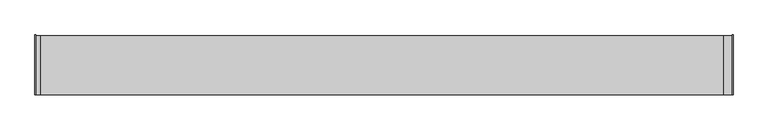
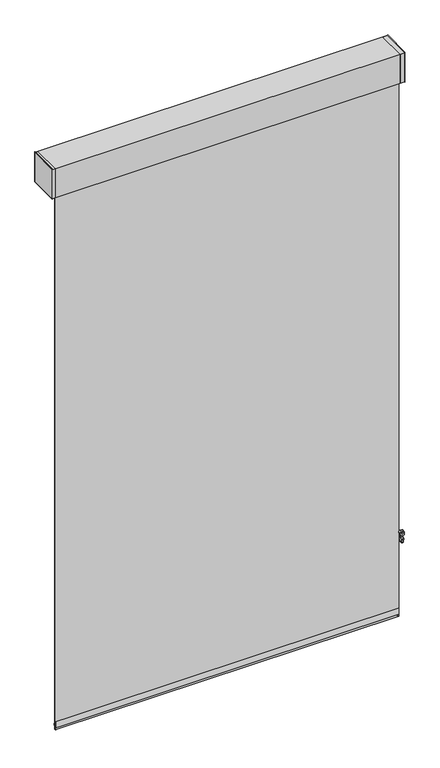
"""IFC4 building model written with IfcOpenShell, lengths in millimetres: proxy geometry."""

from ifc_helpers import new_model, si_unit, point, frame, frame_2d, origin, place, context, project, spatial, polyline, circle_curve, trimmed, segment, composite_curve, outline, extrude, source, transform, mapped, element, save
from ifc_brep_helpers import plane_surface, cylinder_surface, revolved_surface, advanced_brep


def specialty_equipment_0e8b1a03(model_context):
    return source(origin(), model_context, "Body", "SolidModel", [
        advanced_brep(
        [(754.7975373, 114.3, -748.5031492), (759.8345279, 114.3, -754.1318492), (755.147822, 114.3, -796.2412853), (752.1866072, 114.3, -798.8912064), (749.7153928, 114.3, -798.8912064), (746.754178, 114.3, -796.2412853), (742.0674721, 114.3, -754.1318492), (747.1044627, 114.3, -748.5031492), (747.776, 114.3, -755.1453529), (754.126, 114.3, -755.1453529), (747.776, 114.3, -790.8641029), (754.126, 114.3, -790.8641029), (754.7975373, 101.6, -748.5031492), (747.1044627, 101.6, -748.5031492), (742.0674721, 101.6, -754.1318492), (743.2919654, 101.6, -765.1337606), (758.6100346, 101.6, -765.1337606), (759.8345279, 101.6, -754.1318492), (747.776, 101.6, -755.1453529), (754.126, 101.6, -755.1453529), (746.754178, 101.6, -796.2412853), (749.7153928, 101.6, -798.8912064), (752.1866072, 101.6, -798.8912064), (755.147822, 101.6, -796.2412853), (756.9731218, 101.6, -779.8412064), (744.9288782, 101.6, -779.8412064), (747.776, 101.6, -790.8641029), (754.126, 101.6, -790.8641029), (758.6100346, 111.125, -765.1337606), (756.9731218, 111.125, -779.8412064), (744.9288782, 111.125, -779.8412064), (743.2919654, 111.125, -765.1337606)],
        [
            (0, 1, circle_curve(frame((754.7975373, 114.3, -753.5712411), z_axis=(0.0, 1.0, 0.0), x_axis=(-1.0, 0.0, 0.0)), 5.0680919)),
            (1, 2),
            (2, 3, circle_curve(frame((752.1866072, 114.3, -795.9117073), z_axis=(0.0, 1.0, 0.0), x_axis=(-1.0, 0.0, 0.0)), 2.9794991)),
            (3, 4),
            (4, 5, circle_curve(frame((749.7153928, 114.3, -795.9117073), z_axis=(0.0, 1.0, 0.0), x_axis=(1.0, 0.0, 0.0)), 2.9794991)),
            (5, 6),
            (6, 7, circle_curve(frame((747.1044627, 114.3, -753.5712411), z_axis=(0.0, 1.0, 0.0), x_axis=(1.0, 0.0, 0.0)), 5.0680919)),
            (7, 0),
            (8, 9, circle_curve(frame((750.951, 114.3, -755.1453529), z_axis=(0.0, -1.0, 0.0), x_axis=(1.0, 0.0, 0.0)), 3.175)),
            (9, 8, circle_curve(frame((750.951, 114.3, -755.1453529), z_axis=(0.0, -1.0, 0.0), x_axis=(1.0, 0.0, 0.0)), 3.175)),
            (10, 11, circle_curve(frame((750.951, 114.3, -790.8641029), z_axis=(0.0, -1.0, 0.0), x_axis=(1.0, 0.0, 0.0)), 3.175)),
            (11, 10, circle_curve(frame((750.951, 114.3, -790.8641029), z_axis=(0.0, -1.0, 0.0), x_axis=(1.0, 0.0, 0.0)), 3.175)),
            (12, 13),
            (13, 14, circle_curve(frame((747.1044627, 101.6, -753.5712411), z_axis=(0.0, -1.0, 0.0), x_axis=(1.0, 0.0, 0.0)), 5.0680919)),
            (14, 15),
            (15, 16),
            (16, 17),
            (17, 12, circle_curve(frame((754.7975373, 101.6, -753.5712411), z_axis=(0.0, -1.0, 0.0), x_axis=(-1.0, 0.0, 0.0)), 5.0680919)),
            (18, 19, circle_curve(frame((750.951, 101.6, -755.1453529), z_axis=(0.0, 1.0, 0.0), x_axis=(1.0, 0.0, 0.0)), 3.175)),
            (19, 18, circle_curve(frame((750.951, 101.6, -755.1453529), z_axis=(0.0, 1.0, 0.0), x_axis=(1.0, 0.0, 0.0)), 3.175)),
            (20, 21, circle_curve(frame((749.7153928, 101.6, -795.9117073), z_axis=(0.0, -1.0, 0.0), x_axis=(1.0, 0.0, 0.0)), 2.9794991)),
            (21, 22),
            (22, 23, circle_curve(frame((752.1866072, 101.6, -795.9117073), z_axis=(0.0, -1.0, 0.0), x_axis=(-1.0, 0.0, 0.0)), 2.9794991)),
            (23, 24),
            (24, 25),
            (25, 20),
            (26, 27, circle_curve(frame((750.951, 101.6, -790.8641029), z_axis=(0.0, 1.0, 0.0), x_axis=(1.0, 0.0, 0.0)), 3.175)),
            (27, 26, circle_curve(frame((750.951, 101.6, -790.8641029), z_axis=(0.0, 1.0, 0.0), x_axis=(1.0, 0.0, 0.0)), 3.175)),
            (0, 12),
            (17, 1),
            (16, 28),
            (28, 29),
            (29, 24),
            (23, 2),
            (22, 3),
            (21, 4),
            (20, 5),
            (25, 30),
            (30, 31),
            (31, 15),
            (14, 6),
            (13, 7),
            (8, 18),
            (19, 9),
            (10, 26),
            (27, 11),
            (28, 31),
            (30, 29),
        ],
        [
            plane_surface(frame((749.7294454, 114.3, -753.5712411), z_axis=(0.0, 1.0, 0.0), x_axis=(0.0, 0.0, 1.0))),
            plane_surface(frame((749.7294454, 101.6, -753.5712411), z_axis=(0.0, -1.0, 0.0), x_axis=(0.0, 0.0, -1.0))),
            cylinder_surface(frame((754.7975373, 101.6, -753.5712411), z_axis=(0.0, 1.0, 0.0), x_axis=(-1.0, 0.0, 0.0)), 5.0680919),
            plane_surface(frame((759.8345279, 114.3, -754.1318492), z_axis=(0.9938633059315283, 0.0, -0.11061523006735367), x_axis=(0.0, -1.0, 0.0))),
            cylinder_surface(frame((752.1866072, 101.6, -795.9117073), z_axis=(0.0, 1.0, 0.0), x_axis=(-1.0, 0.0, 0.0)), 2.9794991),
            plane_surface(frame((752.1866072, 114.3, -798.8912064), z_axis=(0.0, 0.0, -1.0), x_axis=(0.0, -1.0, 0.0))),
            cylinder_surface(frame((749.7153928, 101.6, -795.9117073), z_axis=(0.0, 1.0, 0.0), x_axis=(1.0, 0.0, 0.0)), 2.9794991),
            plane_surface(frame((746.754178, 114.3, -796.2412853), z_axis=(-0.9938633059315276, 0.0, -0.11061523006736003), x_axis=(0.0, -1.0, 0.0))),
            cylinder_surface(frame((747.1044627, 101.6, -753.5712411), z_axis=(0.0, 1.0, 0.0), x_axis=(1.0, 0.0, 0.0)), 5.0680919),
            plane_surface(frame((747.1044627, 114.3, -748.5031492), z_axis=(0.0, 0.0, 1.0), x_axis=(0.0, -1.0, 0.0))),
            revolved_surface(polyline([(754.126, 101.6, -755.1453529), (754.126, 114.3, -755.1453529)]), (750.951, 101.6, -755.1453529), (0.0, -1.0, 0.0)),
            revolved_surface(polyline([(754.126, 101.6, -790.8641029), (754.126, 114.3, -790.8641029)]), (750.951, 101.6, -790.8641029), (0.0, -1.0, 0.0)),
            plane_surface(frame((732.092928, 111.125, -779.8412064), z_axis=(0.0, -1.0, 0.0), x_axis=(-1.0, 0.0, 0.0))),
            plane_surface(frame((759.6783137, 111.125, -779.8412064), z_axis=(0.0, 0.0, 1.0), x_axis=(0.0, -1.0, 0.0))),
            plane_surface(frame((741.8653132, 111.125, -765.1337606), z_axis=(0.0, 0.0, -1.0), x_axis=(0.0, -1.0, 0.0))),
        ],
        [
            (0, [[1, 2, 3, 4, 5, 6, 7, 8], [9, 10], [11, 12]]),
            (1, [[13, 14, 15, 16, 17, 18], [19, 20]]),
            (1, [[21, 22, 23, 24, 25, 26], [27, 28]]),
            (2, [[-1, 29, -18, 30]]),
            (3, [[-2, -30, -17, 31, 32, 33, -24, 34]]),
            (4, [[-3, -34, -23, 35]]),
            (5, [[-4, -35, -22, 36]]),
            (6, [[-5, -36, -21, 37]]),
            (7, [[-6, -37, -26, 38, 39, 40, -15, 41]]),
            (8, [[-7, -41, -14, 42]]),
            (9, [[-8, -42, -13, -29]]),
            (10, [[-9, 43, -20, 44]]),
            (10, [[-10, -44, -19, -43]]),
            (11, [[-11, 45, -28, 46]]),
            (11, [[-12, -46, -27, -45]]),
            (12, [[47, -39, 48, -32]]),
            (13, [[-48, -38, -25, -33]]),
            (14, [[-47, -31, -16, -40]]),
        ],
    ),
        extrude(outline(composite_curve([segment(trimmed(circle_curve(frame_2d((752.637611, 155.2255475)), 1.5875), [point((751.050111, 155.2255475))], [point((754.225111, 155.2255475))], False, "CARTESIAN"), True, "CONTINUOUS"), segment(trimmed(circle_curve(frame_2d((752.637611, 155.2255475)), 1.5875), [point((754.225111, 155.2255475))], [point((751.050111, 155.2255475))], False, "CARTESIAN"), True, "CONTINUOUS")], self_intersect=False)), frame((0.0, 0.0, -771.4837606), z_axis=(0.0, 0.0, 1.0), x_axis=(1.0, 0.0, 0.0)), (0.0, 0.0, 1.0), 2072.64),
        extrude(outline(composite_curve([segment(trimmed(circle_curve(frame_2d((752.637611, 186.9755475)), 1.5875), [point((751.050111, 186.9755475))], [point((754.225111, 186.9755475))], False, "CARTESIAN"), True, "CONTINUOUS"), segment(trimmed(circle_curve(frame_2d((752.637611, 186.9755475)), 1.5875), [point((754.225111, 186.9755475))], [point((751.050111, 186.9755475))], False, "CARTESIAN"), True, "CONTINUOUS")], self_intersect=False)), frame((0.0, 0.0, -771.4837606), z_axis=(0.0, 0.0, 1.0), x_axis=(1.0, 0.0, 0.0)), (0.0, 0.0, 1.0), 2072.64),
        extrude(outline(polyline([(762.0, 230.3859375), (762.0, 101.6), (741.426, 101.6), (741.426, 230.3859375), (762.0, 230.3859375)])), frame((0.0, 0.0, 1301.1562394), z_axis=(0.0, 0.0, 1.0), x_axis=(1.0, 0.0, 0.0)), (0.0, 0.0, 1.0), 133.0523437),
        extrude(outline(polyline([(762.0, 101.6), (760.4125, 101.6), (760.4125, 231.9734375), (762.0, 231.9734375), (762.0, 101.6)])), frame((0.0, 0.0, 1299.5687394), z_axis=(0.0, 0.0, 1.0), x_axis=(1.0, 0.0, 0.0)), (0.0, 0.0, 1.0), 136.2273438),
        extrude(outline(polyline([(-750.316, 230.3859375), (-750.316, 101.6), (-762.0, 101.6), (-762.0, 230.3859375), (-750.316, 230.3859375)])), frame((0.0, 0.0, 1301.1562394), z_axis=(0.0, 0.0, 1.0), x_axis=(1.0, 0.0, 0.0)), (0.0, 0.0, 1.0), 133.0523437),
        extrude(outline(polyline([(-762.0, 231.9734375), (-760.4125, 231.9734375), (-760.4125, 101.6), (-762.0, 101.6), (-762.0, 231.9734375)])), frame((0.0, 0.0, 1299.5687394), z_axis=(0.0, 0.0, 1.0), x_axis=(1.0, 0.0, 0.0)), (0.0, 0.0, 1.0), 136.2273438),
        extrude(outline(polyline([(-762.0, 230.3859375), (762.0, 230.3859375), (762.0, 101.6), (-762.0, 101.6), (-762.0, 230.3859375)])), frame((0.0, 0.0, 1301.1562394), z_axis=(0.0, 0.0, 1.0), x_axis=(1.0, 0.0, 0.0)), (0.0, 0.0, 1.0), 133.0523437),
        extrude(outline(polyline([(741.426, 114.3), (-741.426, 114.3), (-741.426, 117.475), (741.426, 117.475), (741.426, 114.3)])), frame((0.0, 0.0, -1137.2437606), z_axis=(0.0, 0.0, 1.0), x_axis=(1.0, 0.0, 0.0)), (0.0, 0.0, 1.0), 2438.4),
        extrude(outline(composite_curve([segment(polyline([(115.9109476, -1093.1658784), (117.4825911, -1093.1658784)]), True, "CONTINUOUS"), segment(trimmed(circle_curve(frame_2d((58.6477456, -1114.5765725)), 62.6095589), [point((117.4825911, -1093.1658784))], [point((117.1000216, -1137.0106606))], False, "CARTESIAN"), True, "CONTINUOUS"), segment(trimmed(circle_curve(frame_2d((116.6967693, -1136.8216302)), 0.4453592), [point((117.1000216, -1137.0106606))], [point((116.2935171, -1137.0106606))], False, "CARTESIAN"), True, "CONTINUOUS"), segment(trimmed(circle_curve(frame_2d((174.7457931, -1114.5765725)), 62.6095589), [point((116.2935171, -1137.0106606))], [point((115.9109476, -1093.1658784))], False, "CARTESIAN"), True, "CONTINUOUS")], self_intersect=False)), frame((-741.426, 0.0, 0.0), z_axis=(1.0, 0.0, 0.0), x_axis=(0.0, 1.0, 0.0)), (0.0, 0.0, 1.0), 1482.852),
    ])


if __name__ == "__main__":
    model = new_model("IFC4")
    model_context = context("Model", 3, world=origin())
    ifc_project = project(units=[si_unit("LENGTHUNIT", "METRE", prefix="MILLI")], contexts=[model_context])
    site = spatial("IfcSite", under=ifc_project)
    building = spatial("IfcBuilding", under=site)
    placement = place(None, origin())
    specialty_equipment_shape = specialty_equipment_0e8b1a03(model_context)
    element("IfcBuildingElementProxy", 1, Name="Specialty Equipment", at=placement, inside=building, context=model_context, shape_type="MappedRepresentation", body=[
        mapped(specialty_equipment_shape, transform((0.0, 0.0, 0.0), x_axis=(1.0, 0.0, 0.0), y_axis=(0.0, 1.0, 0.0), z_axis=(0.0, 0.0, 1.0))),
    ])
    save(model, "model.ifc")
